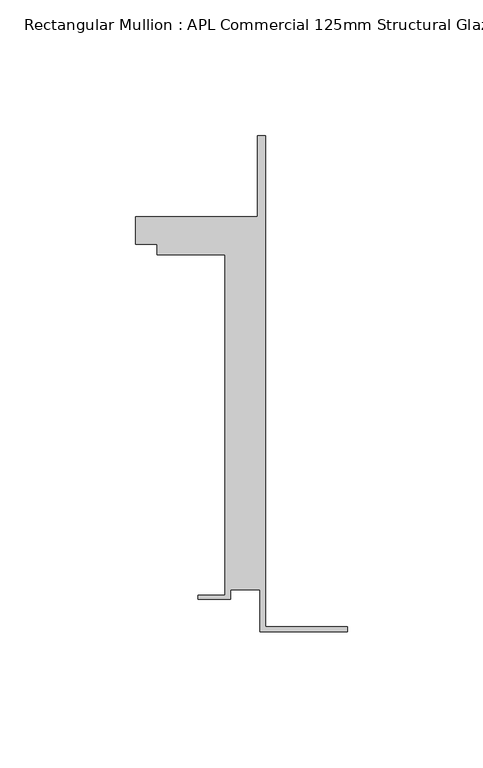
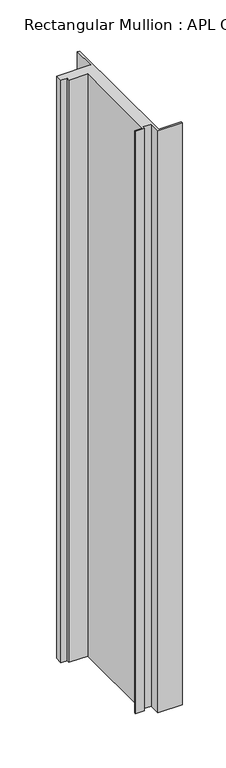
"""IFC4 building model written with IfcOpenShell, lengths in millimetres: member geometry, Rectangular Mullion : APL Commercial 125mm Structural Glaze SubSill."""

from ifc_helpers import new_model, si_unit, frame, origin, place, context, project, spatial, polyline, outline, extrude, source, transform, mapped, element, save


def rectangular_mullion_apl_commercial_125mm_structural_glaze_d1fe4f8c(model_context):
    return source(origin(), model_context, "Body", "SweptSolid", [
        extrude(outline(polyline([(-32.1465839, -41.25), (-32.1465839, -25.75), (-43.1465839, -25.75), (-43.1465839, -29.25), (-55.1465839, -29.25), (-55.1465839, -27.75), (-45.1465839, -27.75), (-45.1465839, 97.75), (-70.1466122, 97.75), (-70.1466122, 101.75), (-78.1466122, 101.75), (-78.1466122, 111.75), (-33.1466122, 111.75), (-33.1466122, 141.75), (-30.1465839, 141.75), (-30.1465839, -39.25), (0.0, -39.25), (0.0, -41.25), (-32.1465839, -41.25)])), frame((0.0, 0.0, -815.9595195), z_axis=(0.0, 0.0, 1.0), x_axis=(1.0, 0.0, 0.0)), (0.0, 0.0, 1.0), 815.9595195),
    ])


if __name__ == "__main__":
    model = new_model("IFC4")
    model_context = context("Model", 3, world=origin())
    ifc_project = project(units=[si_unit("LENGTHUNIT", "METRE", prefix="MILLI")], contexts=[model_context])
    site = spatial("IfcSite", under=ifc_project)
    building = spatial("IfcBuilding", under=site)
    placement = place(None, origin())
    rectangular_mullion_apl_commercial_125mm_structural_glaze_shape = rectangular_mullion_apl_commercial_125mm_structural_glaze_d1fe4f8c(model_context)
    element("IfcMember", 1, ObjectType="Rectangular Mullion : APL Commercial 125mm Structural Glaze SubSill", at=placement, inside=building, context=model_context, shape_type="MappedRepresentation", body=[
        mapped(rectangular_mullion_apl_commercial_125mm_structural_glaze_shape, transform((0.0, 0.0, 0.0), x_axis=(1.0, 0.0, 0.0), y_axis=(0.0, 1.0, 0.0), z_axis=(0.0, 0.0, 1.0))),
    ])
    save(model, "model.ifc")
